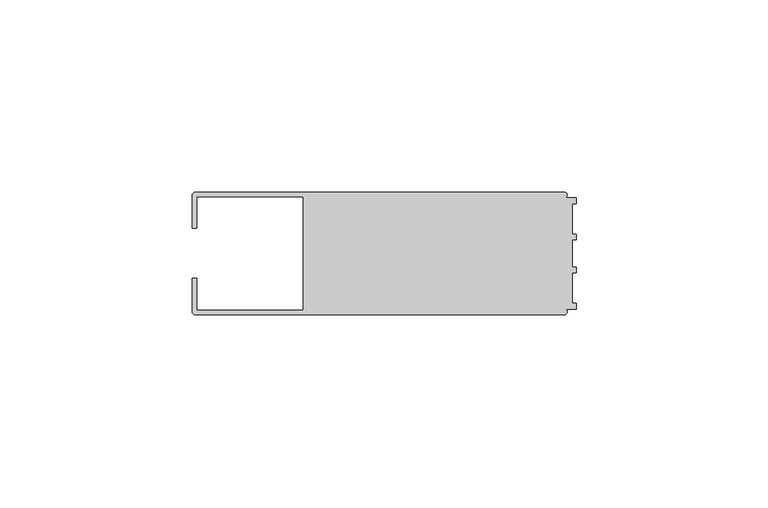
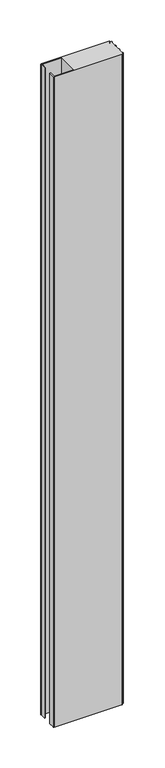
"""IFC4 building model written with IfcOpenShell, lengths in millimetres: member geometry."""

import ifcopenshell
import ifcopenshell.guid

model = None  # the IFC model being written
_history = None  # IfcOwnerHistory: only IFC2X3 demands one
_inside = {}  # id of a spatial element -> (the spatial element, [elements in it])
_under = {}  # id of a project, library or spatial element -> (it, [spatial elements below it])
_declared = {}  # id of a project -> (the project, [libraries it declares])
_typed = {}  # id of a type object -> (the type object, [elements of that type])
_made_of = {}  # id of a material, layer set ... -> (it, [elements and type objects made of it])


def new_model(schema):
    """Start an empty IFC model of exactly this schema.

    Asked for "IFC4X3", IfcOpenShell would pick the latest addendum, in which some entities
    have other attributes; the version numbers below select the first issue.
    IFC2X3 requires an IfcOwnerHistory on every rooted entity: one is made here for all.
    """
    global model, _history
    if schema == "IFC4X3":
        model = ifcopenshell.file(schema_version=(4, 3, 0, 0))
    else:
        model = ifcopenshell.file(schema=schema)
    _inside.clear()
    _under.clear()
    _declared.clear()
    _typed.clear()
    _made_of.clear()
    _history = None
    if model.schema == "IFC2X3":
        org = make("IfcOrganization", Name="unknown")
        user = make(
            "IfcPersonAndOrganization",
            ThePerson=make("IfcPerson", FamilyName="unknown"),
            TheOrganization=org,
        )
        app = make(
            "IfcApplication",
            ApplicationDeveloper=org,
            Version="unknown",
            ApplicationFullName="unknown",
            ApplicationIdentifier="unknown",
        )
        _history = make(
            "IfcOwnerHistory",
            OwningUser=user,
            OwningApplication=app,
            ChangeAction="ADDED",
            CreationDate=0,
        )
    return model


def make(cls, **values):
    """One entity of the class cls with the attributes given. An attribute that is None is left unset."""
    return model.create_entity(
        cls, **{name: value for name, value in values.items() if value is not None}
    )


def rooted(cls, **values):
    """An entity with a GlobalId (a new one), such as an element, a storey or a relation."""
    return make(cls, GlobalId=ifcopenshell.guid.new(), OwnerHistory=_history, **values)


def si_unit(unit_type, name, prefix=None):
    """IfcSIUnit, for example si_unit("LENGTHUNIT", "METRE", prefix="MILLI")."""
    return make("IfcSIUnit", UnitType=unit_type, Prefix=prefix, Name=name)


def assignment(units):
    """IfcUnitAssignment: the units of a project."""
    return None if units is None else make("IfcUnitAssignment", Units=units)


def point(xyz):
    """IfcCartesianPoint."""
    return None if xyz is None else make("IfcCartesianPoint", Coordinates=xyz)


def direction(xyz):
    """IfcDirection."""
    return None if xyz is None else make("IfcDirection", DirectionRatios=xyz)


def frame(location, z_axis=None, x_axis=None):
    """IfcAxis2Placement3D, a coordinate frame: its origin and axes. An axis left out is left unset."""
    return make(
        "IfcAxis2Placement3D",
        Location=point(location),
        Axis=direction(z_axis),
        RefDirection=direction(x_axis),
    )


def frame_2d(location, x_axis=None):
    """IfcAxis2Placement2D, a coordinate frame in the plane: its origin and x axis."""
    return make(
        "IfcAxis2Placement2D", Location=point(location), RefDirection=direction(x_axis)
    )


def origin():
    """The frame at (0, 0, 0) with its axes left unset."""
    return frame((0.0, 0.0, 0.0))


def place(relative_to, where):
    """IfcLocalPlacement: puts the frame where relative to a parent placement (None: the world)."""
    return make(
        "IfcLocalPlacement", PlacementRelTo=relative_to, RelativePlacement=where
    )


def context(
    kind, dimensions, precision=None, world=None, true_north=None, identifier=None
):
    """IfcGeometricRepresentationContext, for example the 3D "Model" context."""
    return make(
        "IfcGeometricRepresentationContext",
        ContextIdentifier=identifier,
        ContextType=kind,
        CoordinateSpaceDimension=dimensions,
        Precision=precision,
        WorldCoordinateSystem=world,
        TrueNorth=true_north,
    )


def project(units=None, contexts=None):
    """IfcProject with its units and contexts."""
    return rooted(
        "IfcProject",
        Name="project",
        RepresentationContexts=contexts,
        UnitsInContext=assignment(units),
    )


def spatial(cls, under=None, at=None, **own):
    """A site, building, storey or space (cls), placed at a placement, below another one or the project."""
    s = rooted(cls, ObjectPlacement=at, **own)
    if under is not None:
        _under.setdefault(under.id(), (under, []))[1].append(s)
    return s


def polyline(points):
    """IfcPolyline through the points."""
    return make("IfcPolyline", Points=[point(p) for p in points])


def circle_curve(where, radius):
    """IfcCircle in the frame where."""
    return make("IfcCircle", Position=where, Radius=radius)


def trimmed(basis, trim1, trim2, sense, master):
    """IfcTrimmedCurve: the piece of a basis curve between two trims."""
    return make(
        "IfcTrimmedCurve",
        BasisCurve=basis,
        Trim1=trim1,
        Trim2=trim2,
        SenseAgreement=sense,
        MasterRepresentation=master,
    )


def segment(curve, same_sense, transition):
    """IfcCompositeCurveSegment."""
    return make(
        "IfcCompositeCurveSegment",
        Transition=transition,
        SameSense=same_sense,
        ParentCurve=curve,
    )


def composite_curve(segments, self_intersect=None):
    """IfcCompositeCurve: segments joined end to end."""
    return make("IfcCompositeCurve", Segments=segments, SelfIntersect=self_intersect)


def outline(outer, holes=None, kind="AREA"):
    """IfcArbitraryClosedProfileDef: a profile drawn as a closed curve; with holes, ...WithVoids."""
    if holes is None:
        return make("IfcArbitraryClosedProfileDef", ProfileType=kind, OuterCurve=outer)
    return make(
        "IfcArbitraryProfileDefWithVoids",
        ProfileType=kind,
        OuterCurve=outer,
        InnerCurves=holes,
    )


def extrude(swept, where, along, depth):
    """IfcExtrudedAreaSolid: the profile swept, set in the frame where, extruded along a direction by depth."""
    return make(
        "IfcExtrudedAreaSolid",
        SweptArea=swept,
        Position=where,
        ExtrudedDirection=direction(along),
        Depth=depth,
    )


def shape(context_of_items, identifier, shape_type, items):
    """IfcShapeRepresentation: the items that make up one representation, for example the "Body"."""
    return make(
        "IfcShapeRepresentation",
        ContextOfItems=context_of_items,
        RepresentationIdentifier=identifier,
        RepresentationType=shape_type,
        Items=items,
    )


def source(mapping_origin, context_of_items, identifier, shape_type, items):
    """IfcRepresentationMap: a shape defined once, which mapped items show again and again."""
    return make(
        "IfcRepresentationMap",
        MappingOrigin=mapping_origin,
        MappedRepresentation=shape(context_of_items, identifier, shape_type, items),
    )


def transform(
    local_origin,
    x_axis=None,
    y_axis=None,
    z_axis=None,
    scale=None,
    scale2=None,
    scale3=None,
    uniform=True,
):
    """IfcCartesianTransformationOperator3D, or its non-uniform kind. x_axis, y_axis, z_axis: its Axis1, 2, 3."""
    if uniform:
        return make(
            "IfcCartesianTransformationOperator3D",
            Axis1=direction(x_axis),
            Axis2=direction(y_axis),
            LocalOrigin=point(local_origin),
            Scale=scale,
            Axis3=direction(z_axis),
        )
    return make(
        "IfcCartesianTransformationOperator3DnonUniform",
        Axis1=direction(x_axis),
        Axis2=direction(y_axis),
        LocalOrigin=point(local_origin),
        Scale=scale,
        Axis3=direction(z_axis),
        Scale2=scale2,
        Scale3=scale3,
    )


def mapped(mapping_source, mapping_target):
    """IfcMappedItem: shows the shape of a source again, moved by a transform."""
    return make(
        "IfcMappedItem", MappingSource=mapping_source, MappingTarget=mapping_target
    )


def made_of(thing, what):
    """Note that an element or type object is made of a material, layer set ...; save() writes the relation."""
    if what is not None:
        _made_of.setdefault(what.id(), (what, []))[1].append(thing)
    return thing


def element(
    cls,
    number,
    at=None,
    inside=None,
    cuts=None,
    type_object=None,
    material=None,
    context=None,
    identifier="Body",
    shape_type=None,
    held_by="IfcProductDefinitionShape",
    body=None,
    shapes=None,
    **own,
):
    """One element of the class cls, such as IfcWall. Its Tag is "e" and its number.

    at: its placement. inside: the storey or other place that contains it. cuts: it is an
    opening in that element (IfcRelVoidsElement). A single representation is given by context,
    identifier, shape_type and body (its items); several are given by shapes. held_by: the class
    of the entity that holds the representations. save() writes the other relations.
    """
    e = rooted(cls, Tag="e%d" % number, ObjectPlacement=at, **own)
    if body is not None:
        shapes = [shape(context, identifier, shape_type, body)]
    if shapes is not None:
        e.Representation = make(held_by, Representations=shapes)
    if inside is not None:
        _inside.setdefault(inside.id(), (inside, []))[1].append(e)
    if cuts is not None:
        rooted(
            "IfcRelVoidsElement", RelatingBuildingElement=cuts, RelatedOpeningElement=e
        )
    if type_object is not None:
        _typed.setdefault(type_object.id(), (type_object, []))[1].append(e)
    return made_of(e, material)


def aggregate(whole, parts):
    """IfcRelAggregates: a whole, such as a stair, and the parts it consists of."""
    return rooted("IfcRelAggregates", RelatingObject=whole, RelatedObjects=parts)


def save(model, path):
    """Write the relations noted so far, then the file.

    IfcRelAggregates (storeys below a building ...), IfcRelContainedInSpatialStructure (elements
    in a storey), IfcRelDefinesByType, IfcRelAssociatesMaterial and IfcRelDeclares: one each for
    every whole, place, type object, material and project.
    """
    for whole, parts in _under.values():
        aggregate(whole, parts)
    for where, things in _inside.values():
        rooted(
            "IfcRelContainedInSpatialStructure",
            RelatedElements=things,
            RelatingStructure=where,
        )
    for kind, things in _typed.values():
        rooted("IfcRelDefinesByType", RelatedObjects=things, RelatingType=kind)
    for what, things in _made_of.values():
        rooted("IfcRelAssociatesMaterial", RelatedObjects=things, RelatingMaterial=what)
    for by, libraries in _declared.values():
        rooted("IfcRelDeclares", RelatingContext=by, RelatedDefinitions=libraries)
    model.write(path)


def member_fdbd2f3b(model_context):
    return source(origin(), model_context, "Body", "SweptSolid", [
        extrude(outline(composite_curve([segment(polyline([(-100.0, 6.5), (-100.0, 14.998921)]), True, "CONTINUOUS"), segment(trimmed(circle_curve(frame_2d((-98.998921, 14.998921)), 1.001079), [point((-100.0, 14.998921))], [point((-98.998921, 16.0))], False, "CARTESIAN"), True, "CONTINUOUS"), segment(polyline([(-98.998921, 16.0), (-3.1385263, 16.0)]), True, "CONTINUOUS"), segment(trimmed(circle_curve(frame_2d((-3.1117577, 15.2001372)), 0.8003107), [point((-3.1385263, 16.0))], [point((-2.7260256, 14.4989182))], False, "CARTESIAN"), True, "CONTINUOUS"), segment(polyline([(-2.7260256, 14.4989182), (0.0, 14.4989182), (0.0, 12.9993664), (-0.999267, 12.9993664), (-0.999267, 5.0000405), (0.0, 5.0000405), (0.0, 3.5386284), (-0.999267, 3.5009282), (-0.999267, -3.5009282), (0.0, -3.5398992), (0.0, -5.0013113), (-0.999267, -5.0013113), (-0.999267, -13.0002136), (0.0, -13.0002136), (0.0, -14.5004469), (-2.7237818, -14.5004469)]), True, "CONTINUOUS"), segment(trimmed(circle_curve(frame_2d((-3.1117213, -15.2000428)), 0.7999572), [point((-2.7237818, -14.5004469))], [point((-3.1117213, -16.0))], False, "CARTESIAN"), True, "CONTINUOUS"), segment(polyline([(-3.1117213, -16.0), (-98.9988146, -16.0)]), True, "CONTINUOUS"), segment(trimmed(circle_curve(frame_2d((-98.9988146, -14.9988146)), 1.0011854), [point((-98.9988146, -16.0))], [point((-100.0, -14.9988146))], False, "CARTESIAN"), True, "CONTINUOUS"), segment(polyline([(-100.0, -14.9988146), (-100.0, -6.5002542), (-98.7495396, -6.5002542), (-98.7495396, -14.7490791), (-71.0, -14.7490791), (-71.0, 14.748825), (-98.7495396, 14.748825), (-98.7495396, 6.5), (-100.0, 6.5)]), True, "CONTINUOUS")], self_intersect=False)), frame((0.0, 0.0, -976.4285716), z_axis=(0.0, 0.0, 1.0), x_axis=(1.0, 0.0, 0.0)), (0.0, 0.0, 1.0), 976.4285716),
    ])


if __name__ == "__main__":
    model = new_model("IFC4")
    model_context = context("Model", 3, world=origin())
    ifc_project = project(units=[si_unit("LENGTHUNIT", "METRE", prefix="MILLI")], contexts=[model_context])
    site = spatial("IfcSite", under=ifc_project)
    building = spatial("IfcBuilding", under=site)
    placement = place(None, origin())
    member_shape = member_fdbd2f3b(model_context)
    element("IfcMember", 1, at=placement, inside=building, context=model_context, shape_type="MappedRepresentation", body=[
        mapped(member_shape, transform((0.0, 0.0, 0.0), x_axis=(1.0, 0.0, 0.0), y_axis=(0.0, 1.0, 0.0), z_axis=(0.0, 0.0, 1.0))),
    ])
    save(model, "model.ifc")
